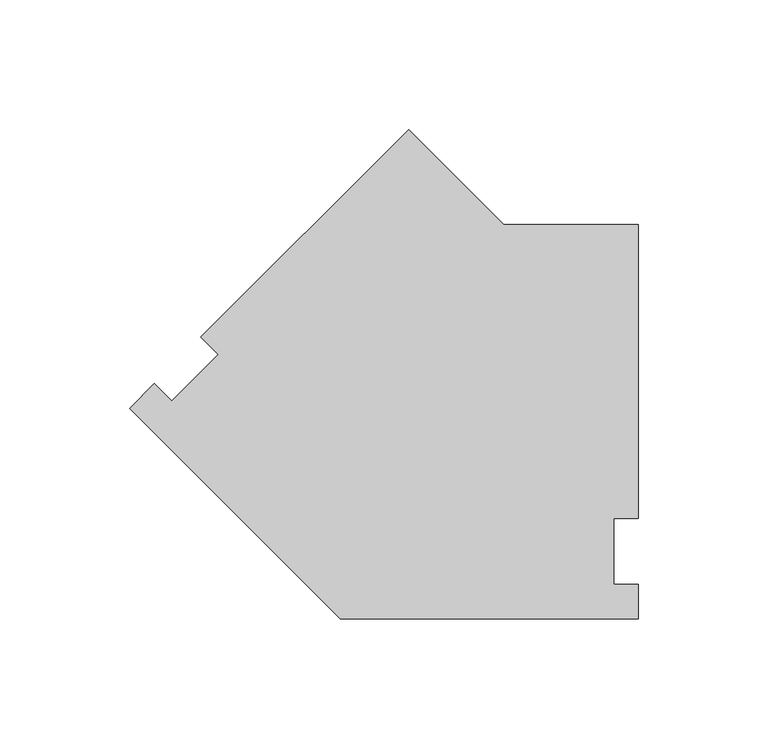
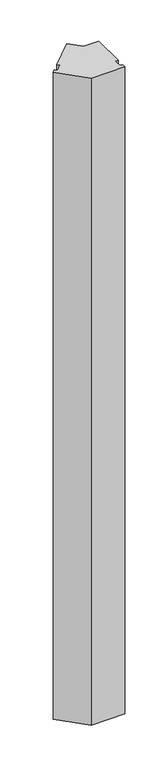
"""IFC4 building model written with IfcOpenShell, lengths in millimetres: proxy geometry."""

from ifc_helpers import new_model, si_unit, frame, origin, place, context, project, spatial, polyline, outline, extrude, source, transform, mapped, element, save


def specialty_equipment_0c5f0154(model_context):
    return source(origin(), model_context, "Body", "SweptSolid", [
        extrude(outline(polyline([(15.5378695, 162.9528946), (52.286221, 126.2045431), (104.2521172, 126.2045431), (104.2521172, 12.7), (94.7271172, 12.7), (94.7271172, -12.7), (104.2521172, -12.7), (104.2521172, -26.19375), (-10.8498065, -26.19375), (-92.2292908, 55.1857343), (-82.6877686, 64.7272564), (-75.9525765, 57.9920643), (-57.9920643, 75.9525765), (-64.7272564, 82.6877686), (15.5378695, 162.9528946)])), frame((0.0, 0.0, 50.8), z_axis=(0.0, 0.0, 1.0), x_axis=(1.0, 0.0, 0.0)), (0.0, 0.0, 1.0), 2324.1),
    ])


if __name__ == "__main__":
    model = new_model("IFC4")
    model_context = context("Model", 3, world=origin())
    ifc_project = project(units=[si_unit("LENGTHUNIT", "METRE", prefix="MILLI")], contexts=[model_context])
    site = spatial("IfcSite", under=ifc_project)
    building = spatial("IfcBuilding", under=site)
    placement = place(None, origin())
    specialty_equipment_shape = specialty_equipment_0c5f0154(model_context)
    element("IfcBuildingElementProxy", 1, Name="Specialty Equipment", at=placement, inside=building, context=model_context, shape_type="MappedRepresentation", body=[
        mapped(specialty_equipment_shape, transform((0.0, 0.0, 0.0), x_axis=(1.0, 0.0, 0.0), y_axis=(0.0, 1.0, 0.0), z_axis=(0.0, 0.0, 1.0))),
    ])
    save(model, "model.ifc")
